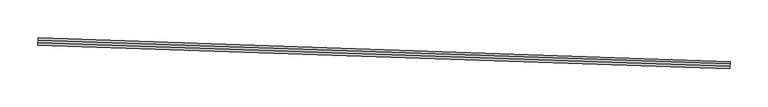
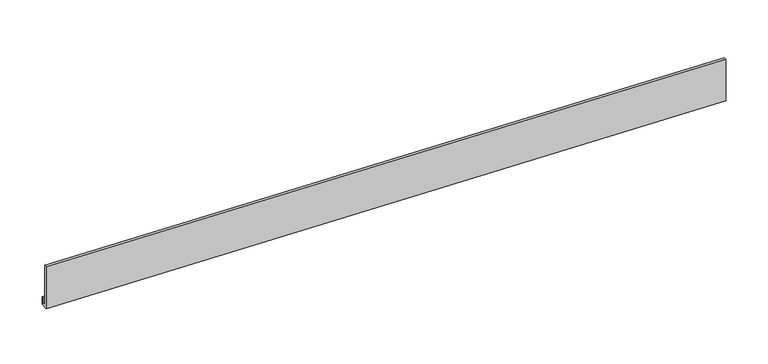
"""IFC4 building model written with IfcOpenShell, lengths in millimetres: proxy geometry."""

from ifc_helpers import new_model, si_unit, frame, origin, place, context, project, spatial, polyline, outline, extrude, source, transform, mapped, element, save


def generic_models_906837b1(model_context):
    return source(origin(), model_context, "Body", "SweptSolid", [
        extrude(outline(polyline([(-3.4473581, 0.0), (0.0, 0.0), (0.0, 57.15), (3.2244664, 57.15), (3.2244664, -3.3130867), (-6.3414504, -3.3130867), (-6.3414504, 7.7202248), (-3.4473581, 7.7202248), (-3.4473581, 0.0)])), frame((34376.465112, -14840.149033, 2974.7231136), z_axis=(-0.9994149479166409, 0.0342017818363039, 0.0), x_axis=(-0.0342017818363039, -0.9994149479166409, 0.0)), (0.0, 0.0, 1.0), 914.4),
    ])


if __name__ == "__main__":
    model = new_model("IFC4")
    model_context = context("Model", 3, world=origin())
    ifc_project = project(units=[si_unit("LENGTHUNIT", "METRE", prefix="MILLI")], contexts=[model_context])
    site = spatial("IfcSite", under=ifc_project)
    building = spatial("IfcBuilding", under=site)
    placement = place(None, origin())
    generic_models_shape = generic_models_906837b1(model_context)
    element("IfcBuildingElementProxy", 1, Name="Generic Models", at=placement, inside=building, context=model_context, shape_type="MappedRepresentation", body=[
        mapped(generic_models_shape, transform((0.0, 0.0, 0.0), x_axis=(1.0, 0.0, 0.0), y_axis=(0.0, 1.0, 0.0), z_axis=(0.0, 0.0, 1.0))),
    ])
    save(model, "model.ifc")
